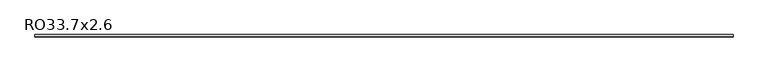
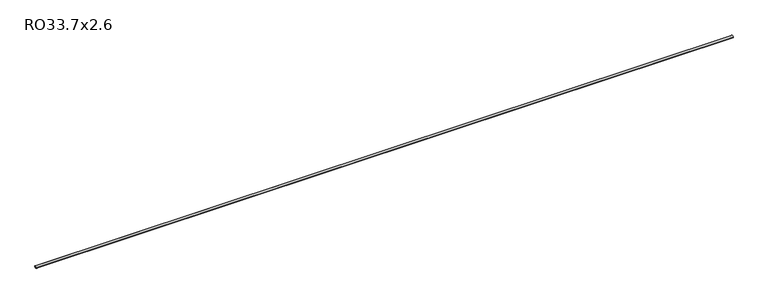
"""IFC4 building model written with IfcOpenShell, lengths in millimetres: beam geometry, RO33.7x2.6."""

from ifc_helpers import new_model, si_unit, point, frame, origin, origin_2d, place, context, project, spatial, circle_curve, trimmed, segment, composite_curve, outline, extrude, source, transform, mapped, element, save


def ro33_7x2_6_cd91e51f(model_context):
    return source(origin(), model_context, "Body", "SweptSolid", [
        extrude(outline(composite_curve([segment(trimmed(circle_curve(origin_2d(), 16.85), [point((16.85, 0.0))], [point((-16.85, 0.0))], False, "CARTESIAN"), True, "CONTINUOUS"), segment(trimmed(circle_curve(origin_2d(), 16.85), [point((-16.85, 0.0))], [point((16.85, 0.0))], False, "CARTESIAN"), True, "CONTINUOUS")], self_intersect=False), holes=[composite_curve([segment(trimmed(circle_curve(origin_2d(), 14.25), [point((-14.25, 0.0))], [point((14.25, 0.0))], True, "CARTESIAN"), True, "CONTINUOUS"), segment(trimmed(circle_curve(origin_2d(), 14.25), [point((14.25, 0.0))], [point((-14.25, 0.0))], True, "CARTESIAN"), True, "CONTINUOUS")], self_intersect=False)]), frame((-5057.4, 0.0, 0.0), z_axis=(1.0, 0.0, 0.0), x_axis=(0.0, 1.0, 0.0)), (0.0, 0.0, 1.0), 10082.7),
    ])


if __name__ == "__main__":
    model = new_model("IFC4")
    model_context = context("Model", 3, world=origin())
    ifc_project = project(units=[si_unit("LENGTHUNIT", "METRE", prefix="MILLI")], contexts=[model_context])
    site = spatial("IfcSite", under=ifc_project)
    building = spatial("IfcBuilding", under=site)
    placement = place(None, origin())
    ro33_7x2_6_shape = ro33_7x2_6_cd91e51f(model_context)
    element("IfcBeam", 1, ObjectType="RO33.7x2.6", at=placement, inside=building, context=model_context, shape_type="MappedRepresentation", body=[
        mapped(ro33_7x2_6_shape, transform((0.0, 0.0, 0.0), x_axis=(1.0, 0.0, 0.0), y_axis=(0.0, 1.0, 0.0), z_axis=(0.0, 0.0, 1.0))),
    ])
    save(model, "model.ifc")
